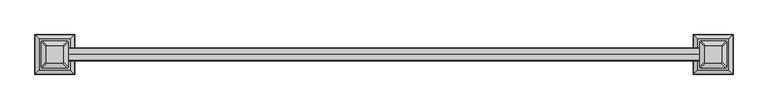
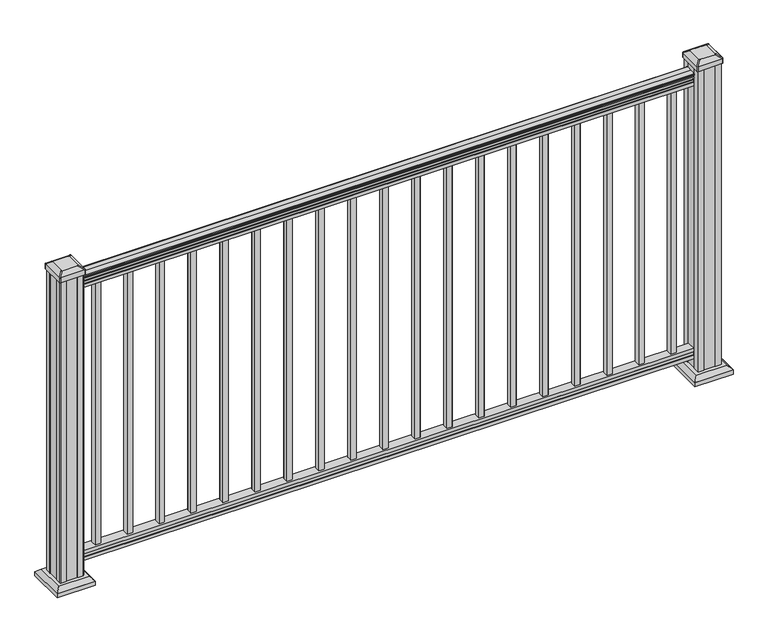
"""IFC4 building model written with IfcOpenShell, lengths in millimetres: railing geometry."""

import ifcopenshell
import ifcopenshell.guid

model = None  # the IFC model being written
_history = None  # IfcOwnerHistory: only IFC2X3 demands one
_inside = {}  # id of a spatial element -> (the spatial element, [elements in it])
_under = {}  # id of a project, library or spatial element -> (it, [spatial elements below it])
_declared = {}  # id of a project -> (the project, [libraries it declares])
_typed = {}  # id of a type object -> (the type object, [elements of that type])
_made_of = {}  # id of a material, layer set ... -> (it, [elements and type objects made of it])


def new_model(schema):
    """Start an empty IFC model of exactly this schema.

    Asked for "IFC4X3", IfcOpenShell would pick the latest addendum, in which some entities
    have other attributes; the version numbers below select the first issue.
    IFC2X3 requires an IfcOwnerHistory on every rooted entity: one is made here for all.
    """
    global model, _history
    if schema == "IFC4X3":
        model = ifcopenshell.file(schema_version=(4, 3, 0, 0))
    else:
        model = ifcopenshell.file(schema=schema)
    _inside.clear()
    _under.clear()
    _declared.clear()
    _typed.clear()
    _made_of.clear()
    _history = None
    if model.schema == "IFC2X3":
        org = make("IfcOrganization", Name="unknown")
        user = make(
            "IfcPersonAndOrganization",
            ThePerson=make("IfcPerson", FamilyName="unknown"),
            TheOrganization=org,
        )
        app = make(
            "IfcApplication",
            ApplicationDeveloper=org,
            Version="unknown",
            ApplicationFullName="unknown",
            ApplicationIdentifier="unknown",
        )
        _history = make(
            "IfcOwnerHistory",
            OwningUser=user,
            OwningApplication=app,
            ChangeAction="ADDED",
            CreationDate=0,
        )
    return model


def make(cls, **values):
    """One entity of the class cls with the attributes given. An attribute that is None is left unset."""
    return model.create_entity(
        cls, **{name: value for name, value in values.items() if value is not None}
    )


def rooted(cls, **values):
    """An entity with a GlobalId (a new one), such as an element, a storey or a relation."""
    return make(cls, GlobalId=ifcopenshell.guid.new(), OwnerHistory=_history, **values)


def si_unit(unit_type, name, prefix=None):
    """IfcSIUnit, for example si_unit("LENGTHUNIT", "METRE", prefix="MILLI")."""
    return make("IfcSIUnit", UnitType=unit_type, Prefix=prefix, Name=name)


def assignment(units):
    """IfcUnitAssignment: the units of a project."""
    return None if units is None else make("IfcUnitAssignment", Units=units)


def point(xyz):
    """IfcCartesianPoint."""
    return None if xyz is None else make("IfcCartesianPoint", Coordinates=xyz)


def direction(xyz):
    """IfcDirection."""
    return None if xyz is None else make("IfcDirection", DirectionRatios=xyz)


def frame(location, z_axis=None, x_axis=None):
    """IfcAxis2Placement3D, a coordinate frame: its origin and axes. An axis left out is left unset."""
    return make(
        "IfcAxis2Placement3D",
        Location=point(location),
        Axis=direction(z_axis),
        RefDirection=direction(x_axis),
    )


def frame_2d(location, x_axis=None):
    """IfcAxis2Placement2D, a coordinate frame in the plane: its origin and x axis."""
    return make(
        "IfcAxis2Placement2D", Location=point(location), RefDirection=direction(x_axis)
    )


def origin():
    """The frame at (0, 0, 0) with its axes left unset."""
    return frame((0.0, 0.0, 0.0))


def origin_with_axes():
    """The frame at (0, 0, 0) with the z axis (0, 0, 1) and the x axis (1, 0, 0) written out."""
    return frame((0.0, 0.0, 0.0), z_axis=(0.0, 0.0, 1.0), x_axis=(1.0, 0.0, 0.0))


def place(relative_to, where):
    """IfcLocalPlacement: puts the frame where relative to a parent placement (None: the world)."""
    return make(
        "IfcLocalPlacement", PlacementRelTo=relative_to, RelativePlacement=where
    )


def context(
    kind, dimensions, precision=None, world=None, true_north=None, identifier=None
):
    """IfcGeometricRepresentationContext, for example the 3D "Model" context."""
    return make(
        "IfcGeometricRepresentationContext",
        ContextIdentifier=identifier,
        ContextType=kind,
        CoordinateSpaceDimension=dimensions,
        Precision=precision,
        WorldCoordinateSystem=world,
        TrueNorth=true_north,
    )


def project(units=None, contexts=None):
    """IfcProject with its units and contexts."""
    return rooted(
        "IfcProject",
        Name="project",
        RepresentationContexts=contexts,
        UnitsInContext=assignment(units),
    )


def spatial(cls, under=None, at=None, **own):
    """A site, building, storey or space (cls), placed at a placement, below another one or the project."""
    s = rooted(cls, ObjectPlacement=at, **own)
    if under is not None:
        _under.setdefault(under.id(), (under, []))[1].append(s)
    return s


def polyline(points):
    """IfcPolyline through the points."""
    return make("IfcPolyline", Points=[point(p) for p in points])


def circle_curve(where, radius):
    """IfcCircle in the frame where."""
    return make("IfcCircle", Position=where, Radius=radius)


def trimmed(basis, trim1, trim2, sense, master):
    """IfcTrimmedCurve: the piece of a basis curve between two trims."""
    return make(
        "IfcTrimmedCurve",
        BasisCurve=basis,
        Trim1=trim1,
        Trim2=trim2,
        SenseAgreement=sense,
        MasterRepresentation=master,
    )


def segment(curve, same_sense, transition):
    """IfcCompositeCurveSegment."""
    return make(
        "IfcCompositeCurveSegment",
        Transition=transition,
        SameSense=same_sense,
        ParentCurve=curve,
    )


def composite_curve(segments, self_intersect=None):
    """IfcCompositeCurve: segments joined end to end."""
    return make("IfcCompositeCurve", Segments=segments, SelfIntersect=self_intersect)


def outline(outer, holes=None, kind="AREA"):
    """IfcArbitraryClosedProfileDef: a profile drawn as a closed curve; with holes, ...WithVoids."""
    if holes is None:
        return make("IfcArbitraryClosedProfileDef", ProfileType=kind, OuterCurve=outer)
    return make(
        "IfcArbitraryProfileDefWithVoids",
        ProfileType=kind,
        OuterCurve=outer,
        InnerCurves=holes,
    )


def extrude(swept, where, along, depth):
    """IfcExtrudedAreaSolid: the profile swept, set in the frame where, extruded along a direction by depth."""
    return make(
        "IfcExtrudedAreaSolid",
        SweptArea=swept,
        Position=where,
        ExtrudedDirection=direction(along),
        Depth=depth,
    )


def faces_of(points, faces, orient=None, outer=None):
    """IfcFace entities. A face is a list of loops; a loop is a list of indices into points, from 0.

    orient and outer hold one flag for each loop. By default every Orientation is true, the
    first loop of a face is its IfcFaceOuterBound and the others are IfcFaceBound.
    """
    made = []
    for i, loops in enumerate(faces):
        bounds = []
        for j, loop in enumerate(loops):
            is_outer = j == 0 if outer is None else outer[i][j]
            bounds.append(
                make(
                    "IfcFaceOuterBound" if is_outer else "IfcFaceBound",
                    Bound=make("IfcPolyLoop", Polygon=[points[k] for k in loop]),
                    Orientation=True if orient is None else orient[i][j],
                )
            )
        made.append(make("IfcFace", Bounds=bounds))
    return made


def faceted_brep(points, faces, orient=None, outer=None, voids=None):
    """IfcFacetedBrep: a solid bounded by flat faces; with voids (closed shells), ...WithVoids."""
    shared = [point(p) for p in points]
    hull = make("IfcClosedShell", CfsFaces=faces_of(shared, faces, orient, outer))
    if voids is None:
        return make("IfcFacetedBrep", Outer=hull)
    return make(
        "IfcFacetedBrepWithVoids",
        Outer=hull,
        Voids=[
            make(cls, CfsFaces=faces_of(shared, fs, o, b)) for cls, fs, o, b in voids
        ],
    )


def shape(context_of_items, identifier, shape_type, items):
    """IfcShapeRepresentation: the items that make up one representation, for example the "Body"."""
    return make(
        "IfcShapeRepresentation",
        ContextOfItems=context_of_items,
        RepresentationIdentifier=identifier,
        RepresentationType=shape_type,
        Items=items,
    )


def source(mapping_origin, context_of_items, identifier, shape_type, items):
    """IfcRepresentationMap: a shape defined once, which mapped items show again and again."""
    return make(
        "IfcRepresentationMap",
        MappingOrigin=mapping_origin,
        MappedRepresentation=shape(context_of_items, identifier, shape_type, items),
    )


def transform(
    local_origin,
    x_axis=None,
    y_axis=None,
    z_axis=None,
    scale=None,
    scale2=None,
    scale3=None,
    uniform=True,
):
    """IfcCartesianTransformationOperator3D, or its non-uniform kind. x_axis, y_axis, z_axis: its Axis1, 2, 3."""
    if uniform:
        return make(
            "IfcCartesianTransformationOperator3D",
            Axis1=direction(x_axis),
            Axis2=direction(y_axis),
            LocalOrigin=point(local_origin),
            Scale=scale,
            Axis3=direction(z_axis),
        )
    return make(
        "IfcCartesianTransformationOperator3DnonUniform",
        Axis1=direction(x_axis),
        Axis2=direction(y_axis),
        LocalOrigin=point(local_origin),
        Scale=scale,
        Axis3=direction(z_axis),
        Scale2=scale2,
        Scale3=scale3,
    )


def mapped(mapping_source, mapping_target):
    """IfcMappedItem: shows the shape of a source again, moved by a transform."""
    return make(
        "IfcMappedItem", MappingSource=mapping_source, MappingTarget=mapping_target
    )


def made_of(thing, what):
    """Note that an element or type object is made of a material, layer set ...; save() writes the relation."""
    if what is not None:
        _made_of.setdefault(what.id(), (what, []))[1].append(thing)
    return thing


def element(
    cls,
    number,
    at=None,
    inside=None,
    cuts=None,
    type_object=None,
    material=None,
    context=None,
    identifier="Body",
    shape_type=None,
    held_by="IfcProductDefinitionShape",
    body=None,
    shapes=None,
    **own,
):
    """One element of the class cls, such as IfcWall. Its Tag is "e" and its number.

    at: its placement. inside: the storey or other place that contains it. cuts: it is an
    opening in that element (IfcRelVoidsElement). A single representation is given by context,
    identifier, shape_type and body (its items); several are given by shapes. held_by: the class
    of the entity that holds the representations. save() writes the other relations.
    """
    e = rooted(cls, Tag="e%d" % number, ObjectPlacement=at, **own)
    if body is not None:
        shapes = [shape(context, identifier, shape_type, body)]
    if shapes is not None:
        e.Representation = make(held_by, Representations=shapes)
    if inside is not None:
        _inside.setdefault(inside.id(), (inside, []))[1].append(e)
    if cuts is not None:
        rooted(
            "IfcRelVoidsElement", RelatingBuildingElement=cuts, RelatedOpeningElement=e
        )
    if type_object is not None:
        _typed.setdefault(type_object.id(), (type_object, []))[1].append(e)
    return made_of(e, material)


def aggregate(whole, parts):
    """IfcRelAggregates: a whole, such as a stair, and the parts it consists of."""
    return rooted("IfcRelAggregates", RelatingObject=whole, RelatedObjects=parts)


def save(model, path):
    """Write the relations noted so far, then the file.

    IfcRelAggregates (storeys below a building ...), IfcRelContainedInSpatialStructure (elements
    in a storey), IfcRelDefinesByType, IfcRelAssociatesMaterial and IfcRelDeclares: one each for
    every whole, place, type object, material and project.
    """
    for whole, parts in _under.values():
        aggregate(whole, parts)
    for where, things in _inside.values():
        rooted(
            "IfcRelContainedInSpatialStructure",
            RelatedElements=things,
            RelatingStructure=where,
        )
    for kind, things in _typed.values():
        rooted("IfcRelDefinesByType", RelatedObjects=things, RelatingType=kind)
    for what, things in _made_of.values():
        rooted("IfcRelAssociatesMaterial", RelatedObjects=things, RelatingMaterial=what)
    for by, libraries in _declared.values():
        rooted("IfcRelDeclares", RelatingContext=by, RelatedDefinitions=libraries)
    model.write(path)


def plane_surface(at):
    """IfcPlane: the flat surface through the origin of the frame at, square to its z axis."""
    return make("IfcPlane", Position=at)


def cylinder_surface(at, radius):
    """IfcCylindricalSurface: all points at the distance radius from the z axis of the frame at."""
    return make("IfcCylindricalSurface", Position=at, Radius=radius)


def revolved_surface(curve, axis_point, axis_direction):
    """IfcSurfaceOfRevolution: the curve turned about the line through axis_point along axis_direction."""
    return make(
        "IfcSurfaceOfRevolution",
        SweptCurve=make("IfcArbitraryOpenProfileDef", ProfileType="CURVE", Curve=curve),
        AxisPosition=make("IfcAxis1Placement", Location=point(axis_point), Axis=direction(axis_direction)),
    )


def extruded_surface(curve, direction_of_extrusion, depth):
    """IfcSurfaceOfLinearExtrusion: the curve pushed along a direction by depth."""
    return make(
        "IfcSurfaceOfLinearExtrusion",
        SweptCurve=make("IfcArbitraryOpenProfileDef", ProfileType="CURVE", Curve=curve),
        ExtrudedDirection=direction(direction_of_extrusion),
        Depth=depth,
    )


def advanced_brep(points, edges, surfaces, faces):
    """IfcAdvancedBrep: a solid bounded by faces that lie on surfaces and meet in shared edges.

    An edge is (start, end): straight between two places in points (the first is 0);
    or (start, end, curve); or (start, end, curve, False) where it runs against its curve.
    A face is (place in surfaces, loops), or (place, loops, False) where it looks against
    its surface's normal. A loop lists edges by number (the first is 1), with a minus sign
    where the edge is run from its end to its start. The first loop is the outer one.
    """
    corners = [point(p) for p in points]
    vertices = [make("IfcVertexPoint", VertexGeometry=c) for c in corners]
    made = []
    for start, end, *more in edges:
        made.append(
            make(
                "IfcEdgeCurve",
                EdgeStart=vertices[start],
                EdgeEnd=vertices[end],
                EdgeGeometry=more[0] if more else make("IfcPolyline", Points=[corners[start], corners[end]]),
                SameSense=more[1] if len(more) > 1 else True,
            )
        )
    hull = []
    for where, loops, *sense in faces:
        bounds = []
        for j, loop in enumerate(loops):
            ring = [make("IfcOrientedEdge", EdgeElement=made[abs(k) - 1], Orientation=k > 0) for k in loop]
            bounds.append(
                make(
                    "IfcFaceOuterBound" if j == 0 else "IfcFaceBound",
                    Bound=make("IfcEdgeLoop", EdgeList=ring),
                    Orientation=True,
                )
            )
        hull.append(make("IfcAdvancedFace", Bounds=bounds, FaceSurface=surfaces[where], SameSense=sense[0] if sense else True))
    return make("IfcAdvancedBrep", Outer=make("IfcClosedShell", CfsFaces=hull))


def railing_8a95413d(model_context):
    return source(origin(), model_context, "Body", "SolidModel", [
        advanced_brep(
        [(20782.638269, -6988.1092591, 1090.8043297), (20782.638269, -6988.1092591, 1092.692412), (20782.638269, -6986.9790728, 1094.2546695), (20782.638269, -6986.9790728, 1101.4726458), (20782.638269, -6987.6283292, 1103.9060812), (20782.638269, -6985.1283292, 1108.2362083), (20782.638269, -6983.7189868, 1109.9157972), (20782.638269, -6983.3170878, 1111.0205318), (20782.638269, -6983.3170879, 1112.3608158), (20782.638269, -6984.8705351, 1113.914263), (20782.638269, -7005.5420879, 1113.914263), (20782.638269, -7026.2136406, 1113.914263), (20782.638269, -7027.7670879, 1112.3608158), (20782.638269, -7027.7670879, 1111.0205318), (20782.638269, -7027.3651889, 1109.9157972), (20782.638269, -7025.9558465, 1108.2362083), (20782.638269, -7023.4558465, 1103.9060812), (20782.638269, -7024.1051029, 1101.4726458), (20782.638269, -7024.1051029, 1094.2546695), (20782.638269, -7022.9749166, 1092.692412), (20782.638269, -7022.9749166, 1090.8043297), (20782.638269, -7020.4010879, 1090.8043297), (20782.638269, -7020.4010879, 1080.3048283), (20782.638269, -7021.4170879, 1079.2888283), (20782.638269, -7021.4170879, 1066.8), (20782.638269, -6989.6670879, 1066.8), (20782.638269, -6989.6670879, 1079.131013), (20782.638269, -6990.6830879, 1080.147013), (20782.638269, -6990.6830879, 1090.8043297), (18649.038269, -6988.1092591, 1090.8043297), (18649.038269, -6990.6830879, 1090.8043297), (18649.038269, -6990.6830879, 1080.147013), (18649.038269, -6989.6670879, 1079.131013), (18649.038269, -6989.6670879, 1066.8), (18649.038269, -7021.4170879, 1066.8), (18649.038269, -7021.4170879, 1079.2888283), (18649.038269, -7020.4010879, 1080.3048283), (18649.038269, -7020.4010879, 1090.8043297), (18649.038269, -7022.9749166, 1090.8043297), (18649.038269, -7022.9749166, 1092.692412), (18649.038269, -7024.1051029, 1094.2546695), (18649.038269, -7024.1051029, 1101.4726458), (18649.038269, -7023.4558465, 1103.9060812), (18649.038269, -7025.9558465, 1108.2362083), (18649.038269, -7027.3651889, 1109.9157972), (18649.038269, -7027.7670879, 1111.0205318), (18649.038269, -7027.7670879, 1112.3608158), (18649.038269, -7026.2136406, 1113.914263), (18649.038269, -7005.5420879, 1113.914263), (18649.038269, -6984.8705351, 1113.914263), (18649.038269, -6983.3170879, 1112.3608158), (18649.038269, -6983.3170879, 1111.0205318), (18649.038269, -6983.7189868, 1109.9157972), (18649.038269, -6985.1283292, 1108.2362083), (18649.038269, -6987.6283292, 1103.9060812), (18649.038269, -6986.9790728, 1101.4726458), (18649.038269, -6986.9790728, 1094.2546695), (18649.038269, -6988.1092591, 1092.692412)],
        [
            (0, 1),
            (1, 2, circle_curve(frame((20782.638269, -6994.4240124, 1098.4506383), z_axis=(1.0, 0.0, 0.0), x_axis=(0.0, -1.0, 0.0)), 8.545951)),
            (2, 3, circle_curve(frame((20782.638269, -6993.9869494, 1097.8636577), z_axis=(1.0, 0.0, 0.0), x_axis=(0.0, -1.0, 0.0)), 7.882584)),
            (3, 4, circle_curve(frame((20782.638269, -6983.4736253, 1103.7112527), z_axis=(-1.0, 0.0, 0.0), x_axis=(0.0, -1.0, 0.0)), 4.1592695)),
            (4, 5, circle_curve(frame((20782.638269, -6982.1863188, 1103.6508864), z_axis=(-1.0, 0.0, 0.0), x_axis=(0.0, -1.0, 0.0)), 5.4479907)),
            (5, 6, circle_curve(frame((20782.638269, -6983.4194772, 1108.233395), z_axis=(-1.0, 0.0, 0.0), x_axis=(0.0, -1.0, 0.0)), 1.7088543)),
            (6, 7, circle_curve(frame((20782.638269, -6985.0363773, 1111.0205318), z_axis=(1.0, 0.0, 0.0), x_axis=(0.0, -1.0, 0.0)), 1.7192895)),
            (7, 8),
            (8, 9, circle_curve(frame((20782.638269, -6984.8705351, 1112.3608158), z_axis=(1.0, 0.0, 0.0), x_axis=(0.0, -1.0, 0.0)), 1.5534472)),
            (9, 10),
            (10, 11),
            (11, 12, circle_curve(frame((20782.638269, -7026.2136406, 1112.3608158), z_axis=(1.0, 0.0, 0.0), x_axis=(0.0, 1.0, 0.0)), 1.5534472)),
            (12, 13),
            (13, 14, circle_curve(frame((20782.638269, -7026.0477984, 1111.0205318), z_axis=(1.0, 0.0, 0.0), x_axis=(0.0, 1.0, 0.0)), 1.7192895)),
            (14, 15, circle_curve(frame((20782.638269, -7027.6646985, 1108.233395), z_axis=(-1.0, 0.0, 0.0), x_axis=(0.0, 1.0, 0.0)), 1.7088543)),
            (15, 16, circle_curve(frame((20782.638269, -7028.897857, 1103.6508864), z_axis=(-1.0, 0.0, 0.0), x_axis=(0.0, 1.0, 0.0)), 5.4479907)),
            (16, 17, circle_curve(frame((20782.638269, -7027.6105504, 1103.7112527), z_axis=(-1.0, 0.0, 0.0), x_axis=(0.0, 1.0, 0.0)), 4.1592695)),
            (17, 18, circle_curve(frame((20782.638269, -7017.0972263, 1097.8636577), z_axis=(1.0, 0.0, 0.0), x_axis=(0.0, 1.0, 0.0)), 7.882584)),
            (18, 19, circle_curve(frame((20782.638269, -7016.6601633, 1098.4506383), z_axis=(1.0, 0.0, 0.0), x_axis=(0.0, 1.0, 0.0)), 8.545951)),
            (19, 20),
            (20, 21, circle_curve(frame((20782.638269, -7021.6880022, 1090.8043297), z_axis=(1.0, 0.0, 0.0), x_axis=(0.0, 1.0, 0.0)), 1.2869144)),
            (21, 22),
            (22, 23),
            (23, 24),
            (24, 25),
            (25, 26),
            (26, 27),
            (27, 28),
            (28, 0, circle_curve(frame((20782.638269, -6989.3961735, 1090.8043297), z_axis=(1.0, 0.0, 0.0), x_axis=(0.0, -1.0, 0.0)), 1.2869144)),
            (29, 30, circle_curve(frame((18649.038269, -6989.3961735, 1090.8043297), z_axis=(-1.0, 0.0, 0.0), x_axis=(0.0, -1.0, 0.0)), 1.2869144)),
            (30, 31),
            (31, 32),
            (32, 33),
            (33, 34),
            (34, 35),
            (35, 36),
            (36, 37),
            (37, 38, circle_curve(frame((18649.038269, -7021.6880022, 1090.8043297), z_axis=(-1.0, 0.0, 0.0), x_axis=(0.0, 1.0, 0.0)), 1.2869144)),
            (38, 39),
            (39, 40, circle_curve(frame((18649.038269, -7016.6601633, 1098.4506383), z_axis=(-1.0, 0.0, 0.0), x_axis=(0.0, 1.0, 0.0)), 8.545951)),
            (40, 41, circle_curve(frame((18649.038269, -7017.0972263, 1097.8636577), z_axis=(-1.0, 0.0, 0.0), x_axis=(0.0, 1.0, 0.0)), 7.882584)),
            (41, 42, circle_curve(frame((18649.038269, -7027.6105504, 1103.7112527), z_axis=(1.0, 0.0, 0.0), x_axis=(0.0, 1.0, 0.0)), 4.1592695)),
            (42, 43, circle_curve(frame((18649.038269, -7028.897857, 1103.6508864), z_axis=(1.0, 0.0, 0.0), x_axis=(0.0, 1.0, 0.0)), 5.4479907)),
            (43, 44, circle_curve(frame((18649.038269, -7027.6646985, 1108.233395), z_axis=(1.0, 0.0, 0.0), x_axis=(0.0, 1.0, 0.0)), 1.7088543)),
            (44, 45, circle_curve(frame((18649.038269, -7026.0477984, 1111.0205318), z_axis=(-1.0, 0.0, 0.0), x_axis=(0.0, 1.0, 0.0)), 1.7192895)),
            (45, 46),
            (46, 47, circle_curve(frame((18649.038269, -7026.2136406, 1112.3608158), z_axis=(-1.0, 0.0, 0.0), x_axis=(0.0, 1.0, 0.0)), 1.5534472)),
            (47, 48),
            (48, 49),
            (49, 50, circle_curve(frame((18649.038269, -6984.8705351, 1112.3608158), z_axis=(-1.0, 0.0, 0.0), x_axis=(0.0, -1.0, 0.0)), 1.5534472)),
            (50, 51),
            (51, 52, circle_curve(frame((18649.038269, -6985.0363773, 1111.0205318), z_axis=(-1.0, 0.0, 0.0), x_axis=(0.0, -1.0, 0.0)), 1.7192895)),
            (52, 53, circle_curve(frame((18649.038269, -6983.4194772, 1108.233395), z_axis=(1.0, 0.0, 0.0), x_axis=(0.0, -1.0, 0.0)), 1.7088543)),
            (53, 54, circle_curve(frame((18649.038269, -6982.1863188, 1103.6508864), z_axis=(1.0, 0.0, 0.0), x_axis=(0.0, -1.0, 0.0)), 5.4479907)),
            (54, 55, circle_curve(frame((18649.038269, -6983.4736253, 1103.7112527), z_axis=(1.0, 0.0, 0.0), x_axis=(0.0, -1.0, 0.0)), 4.1592695)),
            (55, 56, circle_curve(frame((18649.038269, -6993.9869494, 1097.8636577), z_axis=(-1.0, 0.0, 0.0), x_axis=(0.0, -1.0, 0.0)), 7.882584)),
            (56, 57, circle_curve(frame((18649.038269, -6994.4240124, 1098.4506383), z_axis=(-1.0, 0.0, 0.0), x_axis=(0.0, -1.0, 0.0)), 8.545951)),
            (57, 29),
            (28, 30),
            (29, 0),
            (27, 31),
            (26, 32),
            (25, 33),
            (24, 34),
            (23, 35),
            (22, 36),
            (21, 37),
            (20, 38),
            (19, 39),
            (18, 40),
            (17, 41),
            (16, 42),
            (15, 43),
            (14, 44),
            (13, 45),
            (12, 46),
            (11, 47),
            (10, 48),
            (9, 49),
            (8, 50),
            (7, 51),
            (6, 52),
            (5, 53),
            (4, 54),
            (3, 55),
            (2, 56),
            (1, 57),
        ],
        [
            plane_surface(frame((20782.638269, -7005.5420879, 1066.8), z_axis=(1.0, 0.0, 0.0), x_axis=(0.0, -1.0, 0.0))),
            plane_surface(frame((18649.038269, -7005.5420879, 1066.8), z_axis=(-1.0, 0.0, 0.0), x_axis=(0.0, -1.0, 0.0))),
            cylinder_surface(frame((20782.638269, -6989.3961735, 1090.8043297), z_axis=(1.0, 0.0, 0.0), x_axis=(0.0, -1.0, 0.0)), 1.2869144),
            plane_surface(frame((20782.638269, -6990.6830879, 1080.147013), z_axis=(0.0, 1.0, 0.0), x_axis=(-1.0, 0.0, 0.0))),
            plane_surface(frame((20782.638269, -6989.6670879, 1079.131013), z_axis=(0.0, 0.7071067811865395, 0.7071067811865556), x_axis=(-1.0, 0.0, 0.0))),
            plane_surface(frame((20782.638269, -6989.6670879, 1066.8), z_axis=(0.0, 1.0, 0.0), x_axis=(-1.0, 0.0, 0.0))),
            plane_surface(frame((20782.638269, -7021.4170879, 1066.8), z_axis=(0.0, 0.0, -1.0), x_axis=(-1.0, 0.0, 0.0))),
            plane_surface(frame((20782.638269, -7021.4170879, 1079.2888283), z_axis=(0.0, -1.0, 0.0), x_axis=(-1.0, 0.0, 0.0))),
            plane_surface(frame((20782.638269, -7020.4010879, 1080.3048283), z_axis=(0.0, -0.7071067811865432, 0.707106781186552), x_axis=(-1.0, 0.0, 0.0))),
            plane_surface(frame((20782.638269, -7020.4010879, 1090.8043297), z_axis=(0.0, -1.0, 0.0), x_axis=(-1.0, 0.0, 0.0))),
            cylinder_surface(frame((20782.638269, -7021.6880022, 1090.8043297), z_axis=(1.0, 0.0, 0.0), x_axis=(0.0, 1.0, 0.0)), 1.2869144),
            plane_surface(frame((20782.638269, -7022.9749166, 1092.692412), z_axis=(0.0, -1.0, 0.0), x_axis=(-1.0, 0.0, 0.0))),
            cylinder_surface(frame((20782.638269, -7016.6601633, 1098.4506383), z_axis=(1.0, 0.0, 0.0), x_axis=(0.0, 1.0, 0.0)), 8.545951),
            cylinder_surface(frame((20782.638269, -7017.0972263, 1097.8636577), z_axis=(1.0, 0.0, 0.0), x_axis=(0.0, 1.0, 0.0)), 7.882584),
            revolved_surface(polyline([(18649.038269, -7023.4512809, 1103.7112527), (20782.638269, -7023.4512809, 1103.7112527)]), (20782.638269, -7027.6105504, 1103.7112527), (-1.0, 0.0, 0.0)),
            revolved_surface(polyline([(18649.038269, -7023.4498662999995, 1103.6508864), (20782.638269, -7023.4498662999995, 1103.6508864)]), (20782.638269, -7028.897857, 1103.6508864), (-1.0, 0.0, 0.0)),
            revolved_surface(polyline([(18649.038269, -7025.9558442, 1108.233395), (20782.638269, -7025.9558442, 1108.233395)]), (20782.638269, -7027.6646985, 1108.233395), (-1.0, 0.0, 0.0)),
            cylinder_surface(frame((20782.638269, -7026.0477984, 1111.0205318), z_axis=(1.0, 0.0, 0.0), x_axis=(0.0, 1.0, 0.0)), 1.7192895),
            plane_surface(frame((20782.638269, -7027.7670879, 1112.3608158), z_axis=(0.0, -1.0, 0.0), x_axis=(-1.0, 0.0, 0.0))),
            cylinder_surface(frame((20782.638269, -7026.2136406, 1112.3608158), z_axis=(1.0, 0.0, 0.0), x_axis=(0.0, 1.0, 0.0)), 1.5534472),
            plane_surface(frame((20782.638269, -7005.5420879, 1113.914263), z_axis=(0.0, 0.0, 1.0), x_axis=(-1.0, 0.0, 0.0))),
            plane_surface(frame((20782.638269, -6984.8705351, 1113.914263), z_axis=(0.0, 0.0, 1.0), x_axis=(-1.0, 0.0, 0.0))),
            cylinder_surface(frame((20782.638269, -6984.8705351, 1112.3608158), z_axis=(1.0, 0.0, 0.0), x_axis=(0.0, -1.0, 0.0)), 1.5534472),
            plane_surface(frame((20782.638269, -6983.3170879, 1111.0205318), z_axis=(0.0, 1.0, 0.0), x_axis=(-1.0, 0.0, 0.0))),
            cylinder_surface(frame((20782.638269, -6985.0363773, 1111.0205318), z_axis=(1.0, 0.0, 0.0), x_axis=(0.0, -1.0, 0.0)), 1.7192895),
            revolved_surface(polyline([(18649.038269, -6985.1283315, 1108.233395), (20782.638269, -6985.1283315, 1108.233395)]), (20782.638269, -6983.4194772, 1108.233395), (-1.0, 0.0, 0.0)),
            revolved_surface(polyline([(18649.038269, -6987.6343095, 1103.6508864), (20782.638269, -6987.6343095, 1103.6508864)]), (20782.638269, -6982.1863188, 1103.6508864), (-1.0, 0.0, 0.0)),
            revolved_surface(polyline([(18649.038269, -6987.6328948, 1103.7112527), (20782.638269, -6987.6328948, 1103.7112527)]), (20782.638269, -6983.4736253, 1103.7112527), (-1.0, 0.0, 0.0)),
            cylinder_surface(frame((20782.638269, -6993.9869494, 1097.8636577), z_axis=(1.0, 0.0, 0.0), x_axis=(0.0, -1.0, 0.0)), 7.882584),
            cylinder_surface(frame((20782.638269, -6994.4240124, 1098.4506383), z_axis=(1.0, 0.0, 0.0), x_axis=(0.0, -1.0, 0.0)), 8.545951),
            plane_surface(frame((20782.638269, -6988.1092591, 1090.8043297), z_axis=(0.0, 1.0, 0.0), x_axis=(-1.0, 0.0, 0.0))),
        ],
        [
            (0, [[1, 2, 3, 4, 5, 6, 7, 8, 9, 10, 11, 12, 13, 14, 15, 16, 17, 18, 19, 20, 21, 22, 23, 24, 25, 26, 27, 28, 29]]),
            (1, [[30, 31, 32, 33, 34, 35, 36, 37, 38, 39, 40, 41, 42, 43, 44, 45, 46, 47, 48, 49, 50, 51, 52, 53, 54, 55, 56, 57, 58]]),
            (2, [[-29, 59, -30, 60]]),
            (3, [[-28, 61, -31, -59]]),
            (4, [[-27, 62, -32, -61]]),
            (5, [[-26, 63, -33, -62]]),
            (6, [[-25, 64, -34, -63]]),
            (7, [[-24, 65, -35, -64]]),
            (8, [[-23, 66, -36, -65]]),
            (9, [[-22, 67, -37, -66]]),
            (10, [[-21, 68, -38, -67]]),
            (11, [[-20, 69, -39, -68]]),
            (12, [[-19, 70, -40, -69]]),
            (13, [[-18, 71, -41, -70]]),
            (14, [[-17, 72, -42, -71]]),
            (15, [[-16, 73, -43, -72]]),
            (16, [[-15, 74, -44, -73]]),
            (17, [[-14, 75, -45, -74]]),
            (18, [[-13, 76, -46, -75]]),
            (19, [[-12, 77, -47, -76]]),
            (20, [[-11, 78, -48, -77]]),
            (21, [[-10, 79, -49, -78]]),
            (22, [[-9, 80, -50, -79]]),
            (23, [[-8, 81, -51, -80]]),
            (24, [[-7, 82, -52, -81]]),
            (25, [[-6, 83, -53, -82]]),
            (26, [[-5, 84, -54, -83]]),
            (27, [[-4, 85, -55, -84]]),
            (28, [[-3, 86, -56, -85]]),
            (29, [[-2, 87, -57, -86]]),
            (30, [[-1, -60, -58, -87]]),
        ],
    ),
        faceted_brep([(20782.638269, -6989.629601, 76.0541976), (20782.638269, -6990.645601, 77.3546183), (20782.638269, -6990.645601, 87.7141717), (20782.638269, -6989.629601, 89.0624492), (20782.638269, -6989.629601, 101.5958781), (20782.638269, -7021.379601, 101.5958781), (20782.638269, -7021.379601, 89.0458024), (20782.638269, -7020.363601, 87.6975248), (20782.638269, -7020.363601, 77.3858283), (20782.638269, -7021.379601, 76.0375508), (20782.638269, -7021.379601, 63.5), (20782.638269, -6989.629601, 63.5), (18649.038269, -6989.629601, 76.0541976), (18649.038269, -6989.629601, 63.5), (18649.038269, -7021.379601, 63.5), (18649.038269, -7021.379601, 76.0375508), (18649.038269, -7020.363601, 77.3858283), (18649.038269, -7020.363601, 87.6975248), (18649.038269, -7021.379601, 89.0458024), (18649.038269, -7021.379601, 101.5958781), (18649.038269, -6989.629601, 101.5958781), (18649.038269, -6989.629601, 89.0624492), (18649.038269, -6990.645601, 87.7141717), (18649.038269, -6990.645601, 77.3546183)], [[[0, 1, 2, 3, 4, 5, 6, 7, 8, 9, 10, 11]], [[12, 13, 14, 15, 16, 17, 18, 19, 20, 21, 22, 23]], [[0, 11, 13, 12]], [[11, 10, 14, 13]], [[10, 9, 15, 14]], [[9, 8, 16, 15]], [[8, 7, 17, 16]], [[7, 6, 18, 17]], [[6, 5, 19, 18]], [[5, 4, 20, 19]], [[4, 3, 21, 20]], [[3, 2, 22, 21]], [[2, 1, 23, 22]], [[1, 0, 12, 23]]]),
        extrude(outline(polyline([(18725.238269, -6996.0170879), (18725.238269, -7015.0670879), (18706.188269, -7015.0670879), (18706.188269, -6996.0170879), (18725.238269, -6996.0170879)]), holes=[polyline([(18724.841394, -6996.4139629), (18706.585144, -6996.4139629), (18706.585144, -7014.6702129), (18724.841394, -7014.6702129), (18724.841394, -6996.4139629)])]), frame((0.0, 0.0, 101.5958781), z_axis=(0.0, 0.0, 1.0), x_axis=(1.0, 0.0, 0.0)), (0.0, 0.0, 1.0), 965.2041219),
        extrude(outline(polyline([(18836.363269, -6996.0170879), (18836.363269, -7015.0670879), (18817.313269, -7015.0670879), (18817.313269, -6996.0170879), (18836.363269, -6996.0170879)]), holes=[polyline([(18835.966394, -6996.4139629), (18817.710144, -6996.4139629), (18817.710144, -7014.6702129), (18835.966394, -7014.6702129), (18835.966394, -6996.4139629)])]), frame((0.0, 0.0, 101.5958781), z_axis=(0.0, 0.0, 1.0), x_axis=(1.0, 0.0, 0.0)), (0.0, 0.0, 1.0), 965.2041219),
        extrude(outline(polyline([(18947.488269, -6996.0170879), (18947.488269, -7015.0670879), (18928.438269, -7015.0670879), (18928.438269, -6996.0170879), (18947.488269, -6996.0170879)]), holes=[polyline([(18947.091394, -6996.4139629), (18928.835144, -6996.4139629), (18928.835144, -7014.6702129), (18947.091394, -7014.6702129), (18947.091394, -6996.4139629)])]), frame((0.0, 0.0, 101.5958781), z_axis=(0.0, 0.0, 1.0), x_axis=(1.0, 0.0, 0.0)), (0.0, 0.0, 1.0), 965.2041219),
        extrude(outline(polyline([(19058.613269, -6996.0170879), (19058.613269, -7015.0670879), (19039.563269, -7015.0670879), (19039.563269, -6996.0170879), (19058.613269, -6996.0170879)]), holes=[polyline([(19058.216394, -6996.4139629), (19039.960144, -6996.4139629), (19039.960144, -7014.6702129), (19058.216394, -7014.6702129), (19058.216394, -6996.4139629)])]), frame((0.0, 0.0, 101.5958781), z_axis=(0.0, 0.0, 1.0), x_axis=(1.0, 0.0, 0.0)), (0.0, 0.0, 1.0), 965.2041219),
        extrude(outline(polyline([(19169.738269, -6996.0170879), (19169.738269, -7015.0670879), (19150.688269, -7015.0670879), (19150.688269, -6996.0170879), (19169.738269, -6996.0170879)]), holes=[polyline([(19169.341394, -6996.4139629), (19151.085144, -6996.4139629), (19151.085144, -7014.6702129), (19169.341394, -7014.6702129), (19169.341394, -6996.4139629)])]), frame((0.0, 0.0, 101.5958781), z_axis=(0.0, 0.0, 1.0), x_axis=(1.0, 0.0, 0.0)), (0.0, 0.0, 1.0), 965.2041219),
        extrude(outline(polyline([(19280.863269, -6996.0170879), (19280.863269, -7015.0670879), (19261.813269, -7015.0670879), (19261.813269, -6996.0170879), (19280.863269, -6996.0170879)]), holes=[polyline([(19280.466394, -6996.4139629), (19262.210144, -6996.4139629), (19262.210144, -7014.6702129), (19280.466394, -7014.6702129), (19280.466394, -6996.4139629)])]), frame((0.0, 0.0, 101.5958781), z_axis=(0.0, 0.0, 1.0), x_axis=(1.0, 0.0, 0.0)), (0.0, 0.0, 1.0), 965.2041219),
        extrude(outline(polyline([(19391.988269, -6996.0170879), (19391.988269, -7015.0670879), (19372.938269, -7015.0670879), (19372.938269, -6996.0170879), (19391.988269, -6996.0170879)]), holes=[polyline([(19391.591394, -6996.4139629), (19373.335144, -6996.4139629), (19373.335144, -7014.6702129), (19391.591394, -7014.6702129), (19391.591394, -6996.4139629)])]), frame((0.0, 0.0, 101.5958781), z_axis=(0.0, 0.0, 1.0), x_axis=(1.0, 0.0, 0.0)), (0.0, 0.0, 1.0), 965.2041219),
        extrude(outline(polyline([(19503.113269, -6996.0170879), (19503.113269, -7015.0670879), (19484.063269, -7015.0670879), (19484.063269, -6996.0170879), (19503.113269, -6996.0170879)]), holes=[polyline([(19502.716394, -6996.4139629), (19484.460144, -6996.4139629), (19484.460144, -7014.6702129), (19502.716394, -7014.6702129), (19502.716394, -6996.4139629)])]), frame((0.0, 0.0, 101.5958781), z_axis=(0.0, 0.0, 1.0), x_axis=(1.0, 0.0, 0.0)), (0.0, 0.0, 1.0), 965.2041219),
        extrude(outline(polyline([(19614.238269, -6996.0170879), (19614.238269, -7015.0670879), (19595.188269, -7015.0670879), (19595.188269, -6996.0170879), (19614.238269, -6996.0170879)]), holes=[polyline([(19613.841394, -6996.4139629), (19595.585144, -6996.4139629), (19595.585144, -7014.6702129), (19613.841394, -7014.6702129), (19613.841394, -6996.4139629)])]), frame((0.0, 0.0, 101.5958781), z_axis=(0.0, 0.0, 1.0), x_axis=(1.0, 0.0, 0.0)), (0.0, 0.0, 1.0), 965.2041219),
        extrude(outline(polyline([(19725.363269, -6996.0170879), (19725.363269, -7015.0670879), (19706.313269, -7015.0670879), (19706.313269, -6996.0170879), (19725.363269, -6996.0170879)]), holes=[polyline([(19724.966394, -6996.4139629), (19706.710144, -6996.4139629), (19706.710144, -7014.6702129), (19724.966394, -7014.6702129), (19724.966394, -6996.4139629)])]), frame((0.0, 0.0, 101.5958781), z_axis=(0.0, 0.0, 1.0), x_axis=(1.0, 0.0, 0.0)), (0.0, 0.0, 1.0), 965.2041219),
        extrude(outline(polyline([(19836.488269, -6996.0170879), (19836.488269, -7015.0670879), (19817.438269, -7015.0670879), (19817.438269, -6996.0170879), (19836.488269, -6996.0170879)]), holes=[polyline([(19836.091394, -6996.4139629), (19817.835144, -6996.4139629), (19817.835144, -7014.6702129), (19836.091394, -7014.6702129), (19836.091394, -6996.4139629)])]), frame((0.0, 0.0, 101.5958781), z_axis=(0.0, 0.0, 1.0), x_axis=(1.0, 0.0, 0.0)), (0.0, 0.0, 1.0), 965.2041219),
        extrude(outline(polyline([(19947.613269, -6996.0170879), (19947.613269, -7015.0670879), (19928.563269, -7015.0670879), (19928.563269, -6996.0170879), (19947.613269, -6996.0170879)]), holes=[polyline([(19947.216394, -6996.4139629), (19928.960144, -6996.4139629), (19928.960144, -7014.6702129), (19947.216394, -7014.6702129), (19947.216394, -6996.4139629)])]), frame((0.0, 0.0, 101.5958781), z_axis=(0.0, 0.0, 1.0), x_axis=(1.0, 0.0, 0.0)), (0.0, 0.0, 1.0), 965.2041219),
        extrude(outline(polyline([(20058.738269, -6996.0170879), (20058.738269, -7015.0670879), (20039.688269, -7015.0670879), (20039.688269, -6996.0170879), (20058.738269, -6996.0170879)]), holes=[polyline([(20058.341394, -6996.4139629), (20040.085144, -6996.4139629), (20040.085144, -7014.6702129), (20058.341394, -7014.6702129), (20058.341394, -6996.4139629)])]), frame((0.0, 0.0, 101.5958781), z_axis=(0.0, 0.0, 1.0), x_axis=(1.0, 0.0, 0.0)), (0.0, 0.0, 1.0), 965.2041219),
        extrude(outline(polyline([(20169.863269, -6996.0170879), (20169.863269, -7015.0670879), (20150.813269, -7015.0670879), (20150.813269, -6996.0170879), (20169.863269, -6996.0170879)]), holes=[polyline([(20169.466394, -6996.4139629), (20151.210144, -6996.4139629), (20151.210144, -7014.6702129), (20169.466394, -7014.6702129), (20169.466394, -6996.4139629)])]), frame((0.0, 0.0, 101.5958781), z_axis=(0.0, 0.0, 1.0), x_axis=(1.0, 0.0, 0.0)), (0.0, 0.0, 1.0), 965.2041219),
        extrude(outline(polyline([(20280.988269, -6996.0170879), (20280.988269, -7015.0670879), (20261.938269, -7015.0670879), (20261.938269, -6996.0170879), (20280.988269, -6996.0170879)]), holes=[polyline([(20280.591394, -6996.4139629), (20262.335144, -6996.4139629), (20262.335144, -7014.6702129), (20280.591394, -7014.6702129), (20280.591394, -6996.4139629)])]), frame((0.0, 0.0, 101.5958781), z_axis=(0.0, 0.0, 1.0), x_axis=(1.0, 0.0, 0.0)), (0.0, 0.0, 1.0), 965.2041219),
        extrude(outline(polyline([(20392.113269, -6996.0170879), (20392.113269, -7015.0670879), (20373.063269, -7015.0670879), (20373.063269, -6996.0170879), (20392.113269, -6996.0170879)]), holes=[polyline([(20391.716394, -6996.4139629), (20373.460144, -6996.4139629), (20373.460144, -7014.6702129), (20391.716394, -7014.6702129), (20391.716394, -6996.4139629)])]), frame((0.0, 0.0, 101.5958781), z_axis=(0.0, 0.0, 1.0), x_axis=(1.0, 0.0, 0.0)), (0.0, 0.0, 1.0), 965.2041219),
        extrude(outline(polyline([(20503.238269, -6996.0170879), (20503.238269, -7015.0670879), (20484.188269, -7015.0670879), (20484.188269, -6996.0170879), (20503.238269, -6996.0170879)]), holes=[polyline([(20502.841394, -6996.4139629), (20484.585144, -6996.4139629), (20484.585144, -7014.6702129), (20502.841394, -7014.6702129), (20502.841394, -6996.4139629)])]), frame((0.0, 0.0, 101.5958781), z_axis=(0.0, 0.0, 1.0), x_axis=(1.0, 0.0, 0.0)), (0.0, 0.0, 1.0), 965.2041219),
        extrude(outline(polyline([(20614.363269, -6996.0170879), (20614.363269, -7015.0670879), (20595.313269, -7015.0670879), (20595.313269, -6996.0170879), (20614.363269, -6996.0170879)]), holes=[polyline([(20613.966394, -6996.4139629), (20595.710144, -6996.4139629), (20595.710144, -7014.6702129), (20613.966394, -7014.6702129), (20613.966394, -6996.4139629)])]), frame((0.0, 0.0, 101.5958781), z_axis=(0.0, 0.0, 1.0), x_axis=(1.0, 0.0, 0.0)), (0.0, 0.0, 1.0), 965.2041219),
        extrude(outline(polyline([(20725.488269, -6996.0170879), (20725.488269, -7015.0670879), (20706.438269, -7015.0670879), (20706.438269, -6996.0170879), (20725.488269, -6996.0170879)]), holes=[polyline([(20725.091394, -6996.4139629), (20706.835144, -6996.4139629), (20706.835144, -7014.6702129), (20725.091394, -7014.6702129), (20725.091394, -6996.4139629)])]), frame((0.0, 0.0, 101.5958781), z_axis=(0.0, 0.0, 1.0), x_axis=(1.0, 0.0, 0.0)), (0.0, 0.0, 1.0), 965.2041219),
        faceted_brep([(18660.3492065, -6952.9561504, 28.575), (18555.1773315, -6952.9561504, 28.575), (18555.1773315, -7058.1280254, 28.575), (18660.3492065, -7058.1280254, 28.575), (18674.3886596, -6938.9166972, 15.24), (18674.3886596, -7072.1674785, 15.24), (18541.1378784, -7072.1674785, 15.24), (18541.1378784, -6938.9166972, 15.24)], [[[0, 1, 2, 3]], [[4, 5, 6, 7]], [[4, 0, 3, 5]], [[5, 3, 2, 6]], [[6, 2, 1, 7]], [[7, 1, 0, 4]]]),
        extrude(outline(polyline([(18674.3886596, -6938.9166972), (18674.3886596, -7072.1674785), (18541.1378784, -7072.1674785), (18541.1378784, -6938.9166972), (18674.3886596, -6938.9166972)])), origin_with_axes(), (0.0, 0.0, 1.0), 15.24),
        advanced_brep(
        [(18636.735144, -7031.3389629, 1165.225), (18636.735144, -6979.7452129, 1165.225), (18633.560144, -6976.5702129, 1165.225), (18581.966394, -6976.5702129, 1165.225), (18578.791394, -6979.7452129, 1165.225), (18578.791394, -7031.3389629, 1165.225), (18581.966394, -7034.5139629, 1165.225), (18633.560144, -7034.5139629, 1165.225), (18653.007019, -7047.6108379, 1153.922), (18649.832019, -7050.7858379, 1153.922), (18565.694519, -7050.7858379, 1153.922), (18562.519519, -7047.6108379, 1153.922), (18562.519519, -6963.4733379, 1153.922), (18565.694519, -6960.2983379, 1153.922), (18649.832019, -6960.2983379, 1153.922), (18653.007019, -6963.4733379, 1153.922)],
        [
            (0, 1),
            (1, 2, circle_curve(frame((18633.560144, -6979.7452129, 1165.225), z_axis=(0.0, 0.0, 1.0), x_axis=(-1.0, 0.0, 0.0)), 3.175)),
            (2, 3),
            (3, 4, circle_curve(frame((18581.966394, -6979.7452129, 1165.225), z_axis=(0.0, 0.0, 1.0), x_axis=(-1.0, 0.0, 0.0)), 3.175)),
            (4, 5),
            (5, 6, circle_curve(frame((18581.966394, -7031.3389629, 1165.225), z_axis=(0.0, 0.0, 1.0), x_axis=(-1.0, 0.0, 0.0)), 3.175)),
            (6, 7),
            (7, 0, circle_curve(frame((18633.560144, -7031.3389629, 1165.225), z_axis=(0.0, 0.0, 1.0), x_axis=(-1.0, 0.0, 0.0)), 3.175)),
            (8, 9, circle_curve(frame((18649.832019, -7047.6108379, 1153.922), z_axis=(0.0, 0.0, -1.0), x_axis=(-1.0, 0.0, 0.0)), 3.175)),
            (9, 10),
            (10, 11, circle_curve(frame((18565.694519, -7047.6108379, 1153.922), z_axis=(0.0, 0.0, -1.0), x_axis=(-1.0, 0.0, 0.0)), 3.175)),
            (11, 12),
            (12, 13, circle_curve(frame((18565.694519, -6963.4733379, 1153.922), z_axis=(0.0, 0.0, -1.0), x_axis=(-1.0, 0.0, 0.0)), 3.175)),
            (13, 14),
            (14, 15, circle_curve(frame((18649.832019, -6963.4733379, 1153.922), z_axis=(0.0, 0.0, -1.0), x_axis=(-1.0, 0.0, 0.0)), 3.175)),
            (15, 8),
            (8, 0),
            (7, 9),
            (6, 10),
            (5, 11),
            (4, 12),
            (3, 13),
            (2, 14),
            (1, 15),
        ],
        [
            plane_surface(frame((18607.763269, -7005.5420879, 1165.225), z_axis=(0.0, 0.0, 1.0), x_axis=(0.0, -1.0, 0.0))),
            plane_surface(frame((18607.763269, -7005.5420879, 1153.922), z_axis=(0.0, 0.0, -1.0), x_axis=(0.0, -1.0, 0.0))),
            extruded_surface(trimmed(circle_curve(frame((18633.560144, -7031.3389629, 1165.225), z_axis=(0.0, 0.0, -1.0), x_axis=(-1.0, 0.0, 0.0)), 3.175), [point((18636.735144, -7031.3389629, 1165.225))], [point((18633.560144, -7034.5139629, 1165.225))], True, "CARTESIAN"), (16.271875000002183, -16.271874999999454, -11.302999999999884), 25.63797263886715),
            plane_surface(frame((18607.763269, -7050.7858379, 1153.922), z_axis=(0.0, -0.5705009161540777, 0.8212969649690409), x_axis=(-1.0, 0.0, 0.0))),
            extruded_surface(trimmed(circle_curve(frame((18581.966394, -7031.3389629, 1165.225), z_axis=(0.0, 0.0, -1.0), x_axis=(-1.0, 0.0, 0.0)), 3.175), [point((18581.966394, -7034.5139629, 1165.225))], [point((18578.791394, -7031.3389629, 1165.225))], True, "CARTESIAN"), (-16.271874999998545, -16.271874999999454, -11.302999999999884), 25.63797263886484),
            plane_surface(frame((18562.519519, -7005.5420879, 1153.922), z_axis=(-0.5705009161540291, 0.0, 0.8212969649690747), x_axis=(0.0, 1.0, 0.0))),
            extruded_surface(trimmed(circle_curve(frame((18581.966394, -6979.7452129, 1165.225), z_axis=(0.0, 0.0, -1.0), x_axis=(-1.0, 0.0, 0.0)), 3.175), [point((18578.791394, -6979.7452129, 1165.225))], [point((18581.966394, -6976.5702129, 1165.225))], True, "CARTESIAN"), (-16.271874999998545, 16.271875000000364, -11.302999999999884), 25.63797263886542),
            plane_surface(frame((18607.763269, -6960.2983379, 1153.922), z_axis=(0.0, 0.5705009161540143, 0.821296964969085), x_axis=(1.0, 0.0, 0.0))),
            extruded_surface(trimmed(circle_curve(frame((18633.560144, -6979.7452129, 1165.225), z_axis=(0.0, 0.0, -1.0), x_axis=(-1.0, 0.0, 0.0)), 3.175), [point((18633.560144, -6976.5702129, 1165.225))], [point((18636.735144, -6979.7452129, 1165.225))], True, "CARTESIAN"), (16.271875000002183, 16.271875000000364, -11.302999999999884), 25.637972638867726),
            plane_surface(frame((18653.007019, -7005.5420879, 1153.922), z_axis=(0.570500916154034, 0.0, 0.8212969649690713), x_axis=(0.0, -1.0, 0.0))),
        ],
        [
            (0, [[1, 2, 3, 4, 5, 6, 7, 8]]),
            (1, [[9, 10, 11, 12, 13, 14, 15, 16]]),
            (2, [[17, -8, 18, -9]]),
            (3, [[-18, -7, 19, -10]]),
            (4, [[-19, -6, 20, -11]]),
            (5, [[-20, -5, 21, -12]]),
            (6, [[-21, -4, 22, -13]]),
            (7, [[-22, -3, 23, -14]]),
            (8, [[-23, -2, 24, -15]]),
            (9, [[-24, -1, -17, -16]]),
        ],
    ),
        extrude(outline(composite_curve([segment(trimmed(circle_curve(frame_2d((18649.832019, -7047.6108379)), 3.175), [point((18653.007019, -7047.6108379))], [point((18649.832019, -7050.7858379))], False, "CARTESIAN"), True, "CONTINUOUS"), segment(polyline([(18649.832019, -7050.7858379), (18565.694519, -7050.7858379)]), True, "CONTINUOUS"), segment(trimmed(circle_curve(frame_2d((18565.694519, -7047.6108379)), 3.175), [point((18565.694519, -7050.7858379))], [point((18562.519519, -7047.6108379))], False, "CARTESIAN"), True, "CONTINUOUS"), segment(polyline([(18562.519519, -7047.6108379), (18562.519519, -6963.4733379)]), True, "CONTINUOUS"), segment(trimmed(circle_curve(frame_2d((18565.694519, -6963.4733379)), 3.175), [point((18562.519519, -6963.4733379))], [point((18565.694519, -6960.2983379))], False, "CARTESIAN"), True, "CONTINUOUS"), segment(polyline([(18565.694519, -6960.2983379), (18649.832019, -6960.2983379)]), True, "CONTINUOUS"), segment(trimmed(circle_curve(frame_2d((18649.832019, -6963.4733379)), 3.175), [point((18649.832019, -6960.2983379))], [point((18653.007019, -6963.4733379))], False, "CARTESIAN"), True, "CONTINUOUS"), segment(polyline([(18653.007019, -6963.4733379), (18653.007019, -7047.6108379)]), True, "CONTINUOUS")], self_intersect=False)), frame((0.0, 0.0, 1136.65), z_axis=(0.0, 0.0, 1.0), x_axis=(1.0, 0.0, 0.0)), (0.0, 0.0, 1.0), 17.272),
        extrude(outline(polyline([(18649.038269, -7045.2295879), (18647.450769, -7046.8170879), (18627.829269, -7046.8170879), (18627.067269, -7045.2295879), (18588.459269, -7045.2295879), (18587.697269, -7046.8170879), (18568.075769, -7046.8170879), (18566.488269, -7045.2295879), (18566.488269, -7025.6080879), (18568.075769, -7024.8460879), (18568.075769, -6986.2380879), (18566.488269, -6985.4760879), (18566.488269, -6965.8545879), (18568.075769, -6964.2670879), (18587.697269, -6964.2670879), (18588.459269, -6965.8545879), (18627.067269, -6965.8545879), (18627.829269, -6964.2670879), (18647.450769, -6964.2670879), (18649.038269, -6965.8545879), (18649.038269, -6985.4760879), (18647.450769, -6986.2380879), (18647.450769, -7024.8460879), (18649.038269, -7025.6080879), (18649.038269, -7045.2295879)])), origin_with_axes(), (0.0, 0.0, 1.0), 1136.65),
        faceted_brep([(20876.4992065, -6952.9561504, 28.575), (20771.3273315, -6952.9561504, 28.575), (20771.3273315, -7058.1280254, 28.575), (20876.4992065, -7058.1280254, 28.575), (20890.5386596, -6938.9166972, 15.24), (20890.5386596, -7072.1674785, 15.24), (20757.2878784, -7072.1674785, 15.24), (20757.2878784, -6938.9166972, 15.24)], [[[0, 1, 2, 3]], [[4, 5, 6, 7]], [[4, 0, 3, 5]], [[5, 3, 2, 6]], [[6, 2, 1, 7]], [[7, 1, 0, 4]]]),
        extrude(outline(polyline([(20890.5386596, -6938.9166972), (20890.5386596, -7072.1674785), (20757.2878784, -7072.1674785), (20757.2878784, -6938.9166972), (20890.5386596, -6938.9166972)])), origin_with_axes(), (0.0, 0.0, 1.0), 15.24),
        advanced_brep(
        [(20852.885144, -7031.3389629, 1165.225), (20852.885144, -6979.7452129, 1165.225), (20849.710144, -6976.5702129, 1165.225), (20798.116394, -6976.5702129, 1165.225), (20794.941394, -6979.7452129, 1165.225), (20794.941394, -7031.3389629, 1165.225), (20798.116394, -7034.5139629, 1165.225), (20849.710144, -7034.5139629, 1165.225), (20869.157019, -7047.6108379, 1153.922), (20865.982019, -7050.7858379, 1153.922), (20781.844519, -7050.7858379, 1153.922), (20778.669519, -7047.6108379, 1153.922), (20778.669519, -6963.4733379, 1153.922), (20781.844519, -6960.2983379, 1153.922), (20865.982019, -6960.2983379, 1153.922), (20869.157019, -6963.4733379, 1153.922)],
        [
            (0, 1),
            (1, 2, circle_curve(frame((20849.710144, -6979.7452129, 1165.225), z_axis=(0.0, 0.0, 1.0), x_axis=(-1.0, 0.0, 0.0)), 3.175)),
            (2, 3),
            (3, 4, circle_curve(frame((20798.116394, -6979.7452129, 1165.225), z_axis=(0.0, 0.0, 1.0), x_axis=(-1.0, 0.0, 0.0)), 3.175)),
            (4, 5),
            (5, 6, circle_curve(frame((20798.116394, -7031.3389629, 1165.225), z_axis=(0.0, 0.0, 1.0), x_axis=(-1.0, 0.0, 0.0)), 3.175)),
            (6, 7),
            (7, 0, circle_curve(frame((20849.710144, -7031.3389629, 1165.225), z_axis=(0.0, 0.0, 1.0), x_axis=(-1.0, 0.0, 0.0)), 3.175)),
            (8, 9, circle_curve(frame((20865.982019, -7047.6108379, 1153.922), z_axis=(0.0, 0.0, -1.0), x_axis=(-1.0, 0.0, 0.0)), 3.175)),
            (9, 10),
            (10, 11, circle_curve(frame((20781.844519, -7047.6108379, 1153.922), z_axis=(0.0, 0.0, -1.0), x_axis=(-1.0, 0.0, 0.0)), 3.175)),
            (11, 12),
            (12, 13, circle_curve(frame((20781.844519, -6963.4733379, 1153.922), z_axis=(0.0, 0.0, -1.0), x_axis=(-1.0, 0.0, 0.0)), 3.175)),
            (13, 14),
            (14, 15, circle_curve(frame((20865.982019, -6963.4733379, 1153.922), z_axis=(0.0, 0.0, -1.0), x_axis=(-1.0, 0.0, 0.0)), 3.175)),
            (15, 8),
            (8, 0),
            (7, 9),
            (6, 10),
            (5, 11),
            (4, 12),
            (3, 13),
            (2, 14),
            (1, 15),
        ],
        [
            plane_surface(frame((20823.913269, -7005.5420879, 1165.225), z_axis=(0.0, 0.0, 1.0), x_axis=(0.0, -1.0, 0.0))),
            plane_surface(frame((20823.913269, -7005.5420879, 1153.922), z_axis=(0.0, 0.0, -1.0), x_axis=(0.0, -1.0, 0.0))),
            extruded_surface(trimmed(circle_curve(frame((20849.710144, -7031.3389629, 1165.225), z_axis=(0.0, 0.0, -1.0), x_axis=(-1.0, 0.0, 0.0)), 3.175), [point((20852.885144, -7031.3389629, 1165.225))], [point((20849.710144, -7034.5139629, 1165.225))], True, "CARTESIAN"), (16.271874999998545, -16.271874999999454, -11.302999999999884), 25.63797263886484),
            plane_surface(frame((20823.913269, -7050.7858379, 1153.922), z_axis=(0.0, -0.5705009161540777, 0.8212969649690409), x_axis=(-1.0, 0.0, 0.0))),
            extruded_surface(trimmed(circle_curve(frame((20798.116394, -7031.3389629, 1165.225), z_axis=(0.0, 0.0, -1.0), x_axis=(-1.0, 0.0, 0.0)), 3.175), [point((20798.116394, -7034.5139629, 1165.225))], [point((20794.941394, -7031.3389629, 1165.225))], True, "CARTESIAN"), (-16.271875000002183, -16.271874999999454, -11.302999999999884), 25.63797263886715),
            plane_surface(frame((20778.669519, -7005.5420879, 1153.922), z_axis=(-0.5705009161540291, 0.0, 0.8212969649690747), x_axis=(0.0, 1.0, 0.0))),
            extruded_surface(trimmed(circle_curve(frame((20798.116394, -6979.7452129, 1165.225), z_axis=(0.0, 0.0, -1.0), x_axis=(-1.0, 0.0, 0.0)), 3.175), [point((20794.941394, -6979.7452129, 1165.225))], [point((20798.116394, -6976.5702129, 1165.225))], True, "CARTESIAN"), (-16.271875000002183, 16.271875000000364, -11.302999999999884), 25.637972638867726),
            plane_surface(frame((20823.913269, -6960.2983379, 1153.922), z_axis=(0.0, 0.5705009161540143, 0.821296964969085), x_axis=(1.0, 0.0, 0.0))),
            extruded_surface(trimmed(circle_curve(frame((20849.710144, -6979.7452129, 1165.225), z_axis=(0.0, 0.0, -1.0), x_axis=(-1.0, 0.0, 0.0)), 3.175), [point((20849.710144, -6976.5702129, 1165.225))], [point((20852.885144, -6979.7452129, 1165.225))], True, "CARTESIAN"), (16.271874999998545, 16.271875000000364, -11.302999999999884), 25.63797263886542),
            plane_surface(frame((20869.157019, -7005.5420879, 1153.922), z_axis=(0.570500916154034, 0.0, 0.8212969649690713), x_axis=(0.0, -1.0, 0.0))),
        ],
        [
            (0, [[1, 2, 3, 4, 5, 6, 7, 8]]),
            (1, [[9, 10, 11, 12, 13, 14, 15, 16]]),
            (2, [[17, -8, 18, -9]]),
            (3, [[-18, -7, 19, -10]]),
            (4, [[-19, -6, 20, -11]]),
            (5, [[-20, -5, 21, -12]]),
            (6, [[-21, -4, 22, -13]]),
            (7, [[-22, -3, 23, -14]]),
            (8, [[-23, -2, 24, -15]]),
            (9, [[-24, -1, -17, -16]]),
        ],
    ),
        extrude(outline(composite_curve([segment(trimmed(circle_curve(frame_2d((20865.982019, -7047.6108379)), 3.175), [point((20869.157019, -7047.6108379))], [point((20865.982019, -7050.7858379))], False, "CARTESIAN"), True, "CONTINUOUS"), segment(polyline([(20865.982019, -7050.7858379), (20781.844519, -7050.7858379)]), True, "CONTINUOUS"), segment(trimmed(circle_curve(frame_2d((20781.844519, -7047.6108379)), 3.175), [point((20781.844519, -7050.7858379))], [point((20778.669519, -7047.6108379))], False, "CARTESIAN"), True, "CONTINUOUS"), segment(polyline([(20778.669519, -7047.6108379), (20778.669519, -6963.4733379)]), True, "CONTINUOUS"), segment(trimmed(circle_curve(frame_2d((20781.844519, -6963.4733379)), 3.175), [point((20778.669519, -6963.4733379))], [point((20781.844519, -6960.2983379))], False, "CARTESIAN"), True, "CONTINUOUS"), segment(polyline([(20781.844519, -6960.2983379), (20865.982019, -6960.2983379)]), True, "CONTINUOUS"), segment(trimmed(circle_curve(frame_2d((20865.982019, -6963.4733379)), 3.175), [point((20865.982019, -6960.2983379))], [point((20869.157019, -6963.4733379))], False, "CARTESIAN"), True, "CONTINUOUS"), segment(polyline([(20869.157019, -6963.4733379), (20869.157019, -7047.6108379)]), True, "CONTINUOUS")], self_intersect=False)), frame((0.0, 0.0, 1136.65), z_axis=(0.0, 0.0, 1.0), x_axis=(1.0, 0.0, 0.0)), (0.0, 0.0, 1.0), 17.272),
        extrude(outline(polyline([(20865.188269, -7045.2295879), (20863.600769, -7046.8170879), (20843.979269, -7046.8170879), (20843.217269, -7045.2295879), (20804.609269, -7045.2295879), (20803.847269, -7046.8170879), (20784.225769, -7046.8170879), (20782.638269, -7045.2295879), (20782.638269, -7025.6080879), (20784.225769, -7024.8460879), (20784.225769, -6986.2380879), (20782.638269, -6985.4760879), (20782.638269, -6965.8545879), (20784.225769, -6964.2670879), (20803.847269, -6964.2670879), (20804.609269, -6965.8545879), (20843.217269, -6965.8545879), (20843.979269, -6964.2670879), (20863.600769, -6964.2670879), (20865.188269, -6965.8545879), (20865.188269, -6985.4760879), (20863.600769, -6986.2380879), (20863.600769, -7024.8460879), (20865.188269, -7025.6080879), (20865.188269, -7045.2295879)])), origin_with_axes(), (0.0, 0.0, 1.0), 1136.65),
    ])


if __name__ == "__main__":
    model = new_model("IFC4")
    model_context = context("Model", 3, world=origin())
    ifc_project = project(units=[si_unit("LENGTHUNIT", "METRE", prefix="MILLI")], contexts=[model_context])
    site = spatial("IfcSite", under=ifc_project)
    building = spatial("IfcBuilding", under=site)
    placement = place(None, origin())
    railing_shape = railing_8a95413d(model_context)
    element("IfcRailing", 1, at=placement, inside=building, context=model_context, shape_type="MappedRepresentation", body=[
        mapped(railing_shape, transform((0.0, 0.0, 0.0), x_axis=(1.0, 0.0, 0.0), y_axis=(0.0, 1.0, 0.0), z_axis=(0.0, 0.0, 1.0))),
    ])
    save(model, "model.ifc")
